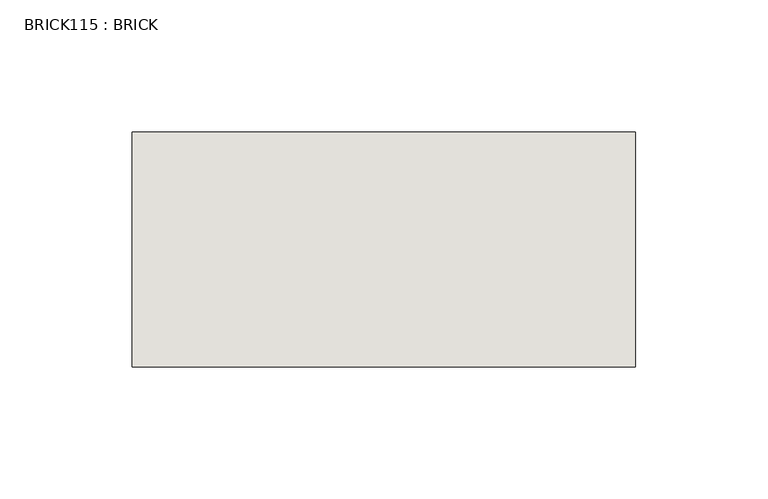
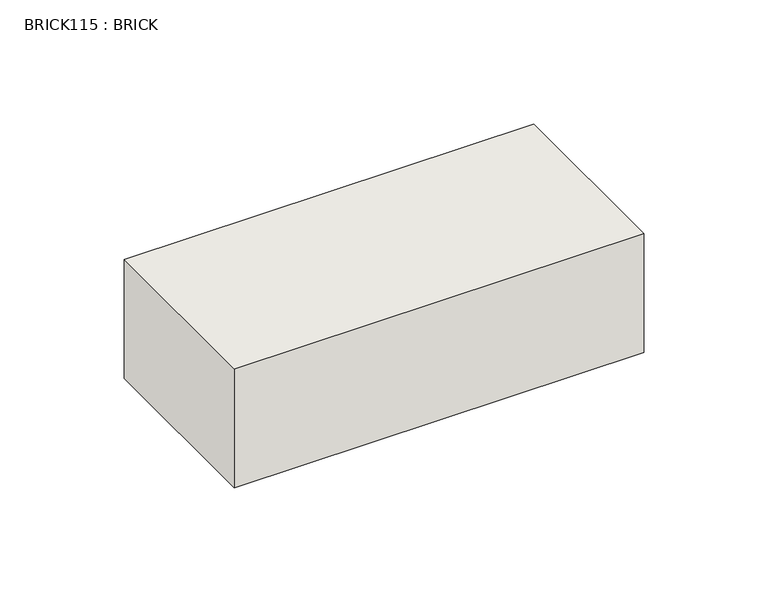
"""IFC4 building model written with IfcOpenShell, lengths in millimetres: wall geometry, BRICK115 : BRICK."""

from ifc_helpers import new_model, si_unit, frame, origin, place, context, project, spatial, polyline, outline, extrude, source, transform, mapped, element, save


def brick115_brick_efdf5045(model_context):
    return source(origin(), model_context, "Body", "SweptSolid", [
        extrude(outline(polyline([(732.1272594, 2586.2274125), (922.6272594, 2586.2274125), (922.6272594, 2497.3274125), (732.1272594, 2497.3274125), (732.1272594, 2586.2274125)])), frame((0.0, 0.0, 143.8671875), z_axis=(0.0, 0.0, 1.0), x_axis=(1.0, 0.0, 0.0)), (0.0, 0.0, 1.0), 58.4398437),
    ])


if __name__ == "__main__":
    model = new_model("IFC4")
    model_context = context("Model", 3, world=origin())
    ifc_project = project(units=[si_unit("LENGTHUNIT", "METRE", prefix="MILLI")], contexts=[model_context])
    site = spatial("IfcSite", under=ifc_project)
    building = spatial("IfcBuilding", under=site)
    placement = place(None, origin())
    brick115_brick_shape = brick115_brick_efdf5045(model_context)
    element("IfcWall", 1, ObjectType="BRICK115 : BRICK", at=placement, inside=building, context=model_context, shape_type="MappedRepresentation", body=[
        mapped(brick115_brick_shape, transform((0.0, 0.0, 0.0), x_axis=(1.0, 0.0, 0.0), y_axis=(0.0, 1.0, 0.0), z_axis=(0.0, 0.0, 1.0))),
    ])
    save(model, "model.ifc")
